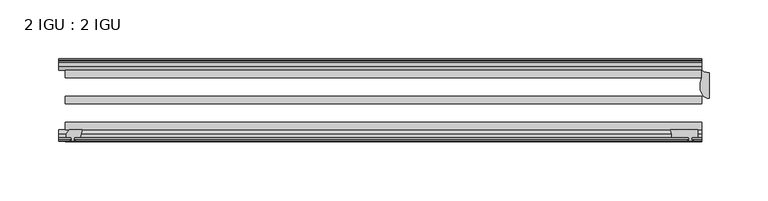
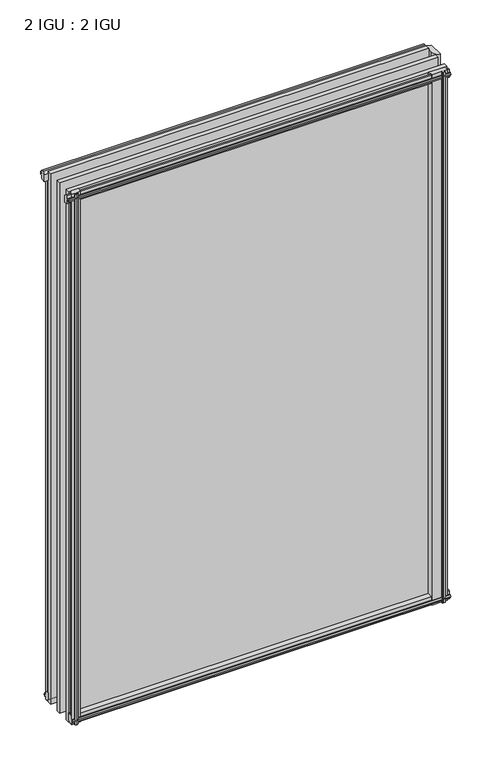
"""IFC4 building model written with IfcOpenShell, lengths in millimetres: plate geometry, 2 IGU : 2 IGU."""

from ifc_helpers import new_model, si_unit, point, frame, frame_2d, origin, origin_with_axes, place, context, project, spatial, polyline, circle_curve, ellipse_curve, trimmed, segment, composite_curve, outline, extrude, source, transform, mapped, element, save
from ifc_brep_helpers import plane_surface, cylinder_surface, revolved_surface, extruded_surface, advanced_brep


def plate_2_igu_2_igu_ea109b5f(model_context):
    return source(origin(), model_context, "Body", "SolidModel", [
        extrude(outline(polyline([(-249.1072819, -69.9960936), (-250.825, -76.3460936), (-256.032, -76.3460936), (-256.413, -78.7262905), (-254.9974709, -78.2663573), (-254.9974709, -79.0675715), (-257.175, -79.7750936), (-259.3525291, -79.0675715), (-259.3525291, -78.2663573), (-257.937, -78.7262905), (-258.318, -76.3460936), (-262.763, -76.3460936), (-262.763, -73.3996936), (-259.9286578, -69.9960936), (-249.1072819, -69.9960936)])), frame((0.0, 0.0, -12.303125), z_axis=(0.0, 0.0, 1.0), x_axis=(1.0, 0.0, 0.0)), (0.0, 0.0, 1.0), 799.461825),
        advanced_brep(
        [(282.575, -21.2713143, -12.303125), (282.575, -43.2929845, -12.303125), (275.0104224, -33.7460937, -12.303125), (276.225, -25.8960937, -12.303125), (276.225, -19.5460937, -12.303125), (282.575, -21.2713143, 787.4), (276.225, -19.5460937, 787.4), (276.225, -25.8960937, 787.4), (275.0104224, -33.7460937, 787.4), (282.575, -43.2929845, 787.4)],
        [
            (0, 1),
            (1, 2, ellipse_curve(frame((282.575, -33.7460937, -12.303125), z_axis=(0.0, 0.0, -1.0), x_axis=(0.0, 1.0, 0.0)), 9.5468907, 7.5645776)),
            (2, 3, circle_curve(frame((300.9855831, -33.7460937, -12.303125), z_axis=(0.0, 0.0, -1.0), x_axis=(1.0, 0.0, 0.0)), 25.9751607)),
            (3, 4),
            (4, 0, circle_curve(frame((282.575, -8.7225169, -12.303125), z_axis=(0.0, 0.0, 1.0), x_axis=(1.0, 0.0, 0.0)), 12.5487974)),
            (5, 6, circle_curve(frame((282.575, -8.7225169, 787.4), z_axis=(0.0, 0.0, -1.0), x_axis=(1.0, 0.0, 0.0)), 12.5487974)),
            (6, 7),
            (7, 8, circle_curve(frame((300.9855831, -33.7460937, 787.4), z_axis=(0.0, 0.0, 1.0), x_axis=(1.0, 0.0, 0.0)), 25.9751607)),
            (8, 9, ellipse_curve(frame((282.575, -33.7460937, 787.4), z_axis=(0.0, 0.0, 1.0), x_axis=(0.0, 1.0, 0.0)), 9.5468907, 7.5645776)),
            (9, 5),
            (0, 5),
            (9, 1),
            (8, 2),
            (7, 3),
            (6, 4),
        ],
        [
            plane_surface(frame((282.575, -13.1960937, -12.303125), z_axis=(0.0, 0.0, -1.0), x_axis=(0.0, 1.0, 0.0))),
            plane_surface(frame((282.575, -13.1960937, 787.4), z_axis=(0.0, 0.0, 1.0), x_axis=(0.0, 1.0, 0.0))),
            plane_surface(frame((282.575, -21.2713143, -12.303125), z_axis=(1.0, 0.0, 0.0), x_axis=(0.0, 0.0, 1.0))),
            extruded_surface(trimmed(ellipse_curve(frame((282.575, -33.7460937, 787.4), z_axis=(0.0, 0.0, -1.0), x_axis=(0.0, 1.0, 0.0)), 9.5468907, 7.5645776), [point((282.575, -43.2929845, 787.4))], [point((275.0104224, -33.7460937, 787.4))], True, "CARTESIAN"), (0.0, 0.0, -799.703125), 799.703125),
            cylinder_surface(frame((300.9855831, -33.7460937, -12.303125), z_axis=(0.0, 0.0, -1.0), x_axis=(1.0, 0.0, 0.0)), 25.9751607),
            plane_surface(frame((276.225, -25.8960937, -12.303125), z_axis=(-1.0, 0.0, 0.0), x_axis=(0.0, 0.0, 1.0))),
            revolved_surface(polyline([(295.1237974, -8.7225169, 787.4), (295.1237974, -8.7225169, -12.303125)]), (282.575, -8.7225169, -12.303125), (0.0, 0.0, 1.0)),
        ],
        [
            (0, [[1, 2, 3, 4, 5]]),
            (1, [[6, 7, 8, 9, 10]]),
            (2, [[-1, 11, -10, 12]]),
            (3, [[-2, -12, -9, 13]]),
            (4, [[-3, -13, -8, 14]]),
            (5, [[-4, -14, -7, 15]]),
            (6, [[-5, -15, -6, -11]]),
        ],
    ),
        extrude(outline(composite_curve([segment(polyline([(249.8412713, -69.9960936), (273.05, -69.9960936), (273.05, -76.3460936), (267.97, -76.3460936), (267.6525, -78.4506955), (268.8711059, -78.124171), (269.0749, -78.884741), (266.7, -79.5210936), (264.3251, -78.884741), (264.5288941, -78.124171), (265.7475, -78.4506955), (265.43, -76.3460936), (250.825, -76.3460936)]), True, "CONTINUOUS"), segment(trimmed(circle_curve(frame_2d((238.4838743, -75.0067563)), 12.4135896), [point((250.825, -76.3460936))], [point((249.8412713, -69.9960936))], True, "CARTESIAN"), True, "CONTINUOUS")], self_intersect=False)), frame((0.0, 0.0, -12.4587), z_axis=(0.0, 0.0, 1.0), x_axis=(1.0, 0.0, 0.0)), (0.0, 0.0, 1.0), 799.6174),
        extrude(outline(polyline([(-19.5460937, 1.5938931), (-13.1960937, -0.123825), (-13.1960937, -5.330825), (-10.8158968, -5.711825), (-11.27583, -4.2962959), (-10.4746158, -4.2962959), (-9.7670937, -6.473825), (-10.4746158, -8.6513541), (-11.27583, -8.6513541), (-10.8158968, -7.235825), (-13.1960937, -7.616825), (-13.1960937, -12.061825), (-16.1424937, -12.061825), (-19.5460937, -9.2274828), (-19.5460937, 1.5938931)])), frame((-263.525, 0.0, 0.0), z_axis=(1.0, 0.0, 0.0), x_axis=(0.0, 1.0, 0.0)), (0.0, 0.0, 1.0), 539.75),
        extrude(outline(polyline([(-69.9960936, 2.1145931), (-69.9960936, -8.7067828), (-73.3996936, -11.541125), (-76.3460936, -11.541125), (-76.3460936, -7.096125), (-78.7262905, -6.715125), (-78.2663573, -8.1306541), (-79.0675715, -8.1306541), (-79.7750936, -5.953125), (-79.0675715, -3.7755959), (-78.2663573, -3.7755959), (-78.7262905, -5.191125), (-76.3460936, -4.810125), (-76.3460936, 0.396875), (-69.9960936, 2.1145931)])), frame((-263.525, 0.0, 0.0), z_axis=(1.0, 0.0, 0.0), x_axis=(0.0, 1.0, 0.0)), (0.0, 0.0, 1.0), 539.75),
        extrude(outline(polyline([(-10.8158968, 782.3327), (-11.27583, 783.7482291), (-10.4746158, 783.7482291), (-9.7670937, 781.5707), (-10.4746158, 779.3931709), (-11.27583, 779.3931709), (-10.8158968, 780.8087), (-13.1960937, 780.4277), (-13.1960937, 775.2207), (-19.5460937, 773.5029819), (-19.5460937, 784.3243578), (-16.1424937, 787.1587), (-13.1960937, 787.1587), (-13.1960937, 782.7137), (-10.8158968, 782.3327)])), frame((-268.8711059, 0.0, 0.0), z_axis=(1.0, 0.0, 0.0), x_axis=(0.0, 1.0, 0.0)), (0.0, 0.0, 1.0), 545.0961059),
        extrude(outline(polyline([(-76.3460936, 786.638), (-73.3996936, 786.638), (-69.9960936, 783.8036578), (-69.9960936, 772.9822819), (-76.3460936, 774.7), (-76.3460936, 779.907), (-78.7262905, 780.288), (-78.2663573, 778.8724709), (-79.0675715, 778.8724709), (-79.7750936, 781.05), (-79.0675715, 783.2275291), (-78.2663573, 783.2275291), (-78.7262905, 781.812), (-76.3460936, 782.193), (-76.3460936, 786.638)])), frame((-268.8711059, 0.0, 0.0), z_axis=(1.0, 0.0, 0.0), x_axis=(0.0, 1.0, 0.0)), (0.0, 0.0, 1.0), 545.0961059),
        extrude(outline(polyline([(-257.6957, -9.7670937), (-255.5181709, -10.4746158), (-255.5181709, -11.27583), (-256.9337, -10.8158968), (-256.5527, -13.1960937), (-251.3457, -13.1960937), (-249.6279819, -19.5460937), (-260.4493578, -19.5460937), (-263.2837, -16.1424937), (-263.2837, -13.1960937), (-258.8387, -13.1960937), (-258.4577, -10.8158968), (-259.8732291, -11.27583), (-259.8732291, -10.4746158), (-257.6957, -9.7670937)])), origin_with_axes(), (0.0, 0.0, 1.0), 774.7),
        extrude(outline(polyline([(276.225, -19.5460937), (276.225, -25.8960937), (-263.525, -25.8960937), (-263.525, -19.5460937), (276.225, -19.5460937)])), frame((0.0, 0.0, -12.303125), z_axis=(0.0, 0.0, 1.0), x_axis=(1.0, 0.0, 0.0)), (0.0, 0.0, 1.0), 799.703125),
        extrude(outline(polyline([(-263.525, -41.5960937), (276.225, -41.5960937), (276.225, -47.9460937), (-263.525, -47.9460937), (-263.525, -41.5960937)])), frame((0.0, 0.0, -12.303125), z_axis=(0.0, 0.0, 1.0), x_axis=(1.0, 0.0, 0.0)), (0.0, 0.0, 1.0), 799.703125),
        extrude(outline(polyline([(276.225, -63.6460936), (276.225, -69.9960936), (-263.525, -69.9960936), (-263.525, -63.6460936), (276.225, -63.6460936)])), frame((0.0, 0.0, -12.303125), z_axis=(0.0, 0.0, 1.0), x_axis=(1.0, 0.0, 0.0)), (0.0, 0.0, 1.0), 799.703125),
    ])


if __name__ == "__main__":
    model = new_model("IFC4")
    model_context = context("Model", 3, world=origin())
    ifc_project = project(units=[si_unit("LENGTHUNIT", "METRE", prefix="MILLI")], contexts=[model_context])
    site = spatial("IfcSite", under=ifc_project)
    building = spatial("IfcBuilding", under=site)
    placement = place(None, origin())
    plate_2_igu_2_igu_shape = plate_2_igu_2_igu_ea109b5f(model_context)
    element("IfcPlate", 1, ObjectType="2 IGU : 2 IGU", at=placement, inside=building, context=model_context, shape_type="MappedRepresentation", body=[
        mapped(plate_2_igu_2_igu_shape, transform((0.0, 0.0, 0.0), x_axis=(1.0, 0.0, 0.0), y_axis=(0.0, 1.0, 0.0), z_axis=(0.0, 0.0, 1.0))),
    ])
    save(model, "model.ifc")
